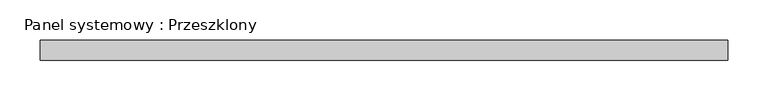
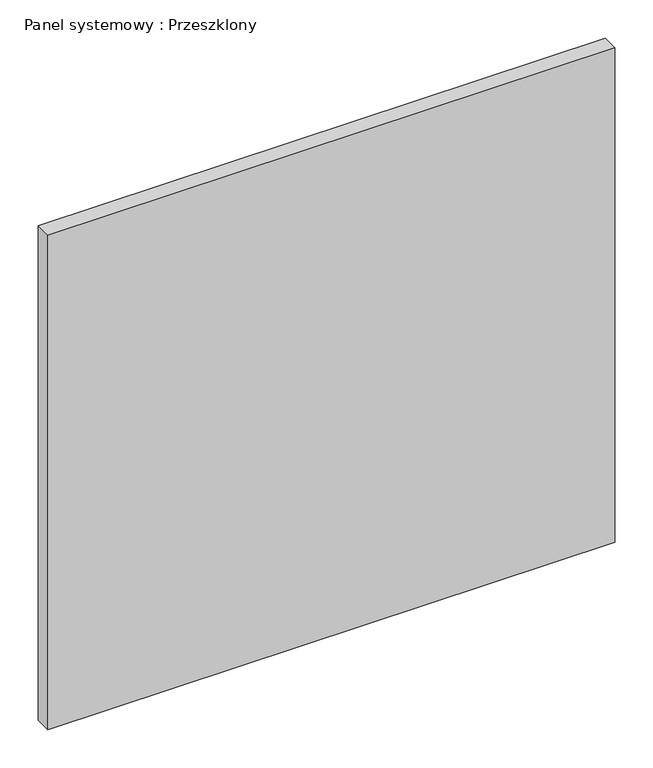
"""IFC4 building model written with IfcOpenShell, lengths in millimetres: plate geometry, Panel systemowy : Przeszklony."""

from ifc_helpers import new_model, si_unit, origin, origin_with_axes, place, context, project, spatial, polyline, outline, extrude, source, transform, mapped, element, save


def panel_systemowy_przeszklony_090a7e69(model_context):
    return source(origin(), model_context, "Body", "SweptSolid", [
        extrude(outline(polyline([(427.5, -12.5), (-427.5, -12.5), (-427.5, 12.5), (427.5, 12.5), (427.5, -12.5)])), origin_with_axes(), (0.0, 0.0, 1.0), 788.3333333),
    ])


if __name__ == "__main__":
    model = new_model("IFC4")
    model_context = context("Model", 3, world=origin())
    ifc_project = project(units=[si_unit("LENGTHUNIT", "METRE", prefix="MILLI")], contexts=[model_context])
    site = spatial("IfcSite", under=ifc_project)
    building = spatial("IfcBuilding", under=site)
    placement = place(None, origin())
    panel_systemowy_przeszklony_shape = panel_systemowy_przeszklony_090a7e69(model_context)
    element("IfcPlate", 1, ObjectType="Panel systemowy : Przeszklony", at=placement, inside=building, context=model_context, shape_type="MappedRepresentation", body=[
        mapped(panel_systemowy_przeszklony_shape, transform((0.0, 0.0, 0.0), x_axis=(1.0, 0.0, 0.0), y_axis=(0.0, 1.0, 0.0), z_axis=(0.0, 0.0, 1.0))),
    ])
    save(model, "model.ifc")
